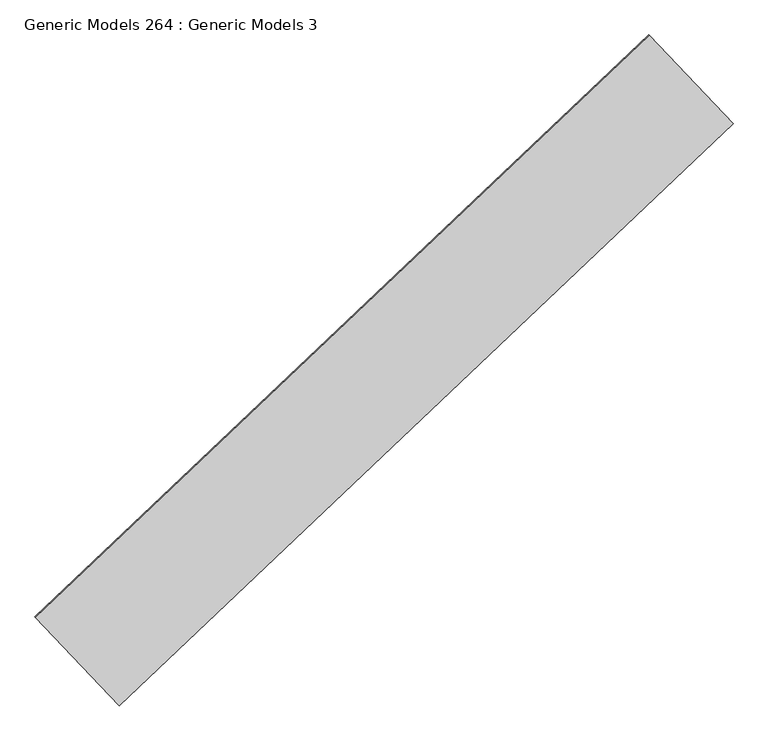
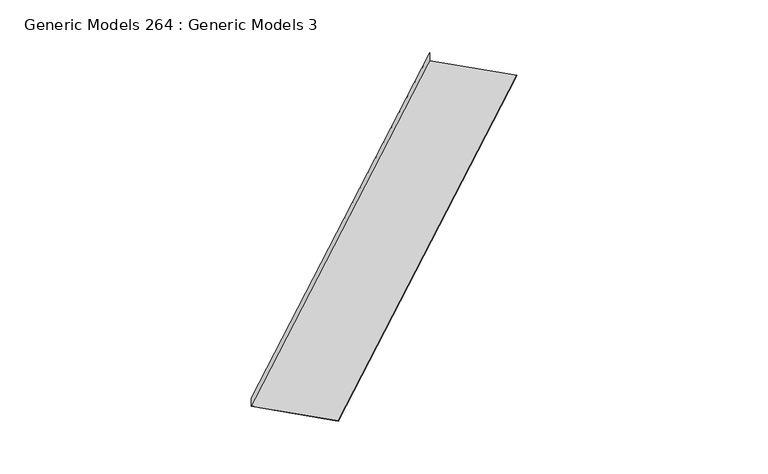
"""IFC4 building model written with IfcOpenShell, lengths in millimetres: proxy geometry, Generic Models 264 : Generic Models 3."""

from ifc_helpers import new_model, si_unit, frame, origin, place, context, project, spatial, polyline, outline, extrude, source, transform, mapped, element, save


def generic_models_264_generic_models_3_bf9a4801(model_context):
    return source(origin(), model_context, "Body", "SweptSolid", [
        extrude(outline(polyline([(0.0, 0.0), (0.0, -69.3624275), (-655.4474955, -69.3624275), (-655.4474955, -67.7749275), (-1.5874999, -67.7749275), (-1.5874999, 0.0), (0.0, 0.0)])), frame((100103.491293, 56940.4472171, 17444.3023754), z_axis=(0.7253743710122986, 0.6883545756937424, 0.0), x_axis=(-0.6883545756937424, 0.7253743710122986, 0.0)), (0.0, 0.0, 1.0), 4530.725),
    ])


if __name__ == "__main__":
    model = new_model("IFC4")
    model_context = context("Model", 3, world=origin())
    ifc_project = project(units=[si_unit("LENGTHUNIT", "METRE", prefix="MILLI")], contexts=[model_context])
    site = spatial("IfcSite", under=ifc_project)
    building = spatial("IfcBuilding", under=site)
    placement = place(None, origin())
    generic_models_264_generic_models_3_shape = generic_models_264_generic_models_3_bf9a4801(model_context)
    element("IfcBuildingElementProxy", 1, Name="Generic Models 264 : Generic Models 3", ObjectType="Generic Models 264 : Generic Models 3", at=placement, inside=building, context=model_context, shape_type="MappedRepresentation", body=[
        mapped(generic_models_264_generic_models_3_shape, transform((0.0, 0.0, 0.0), x_axis=(1.0, 0.0, 0.0), y_axis=(0.0, 1.0, 0.0), z_axis=(0.0, 0.0, 1.0))),
    ])
    save(model, "model.ifc")
